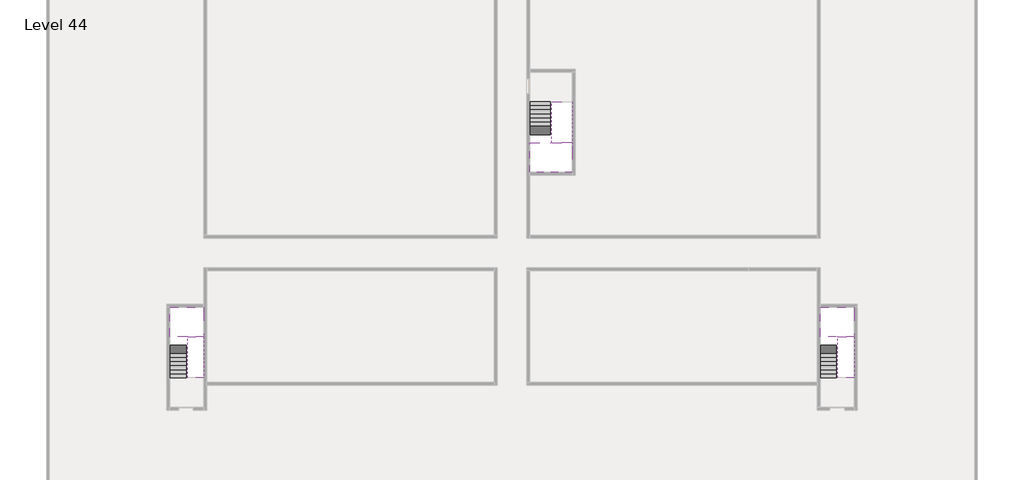
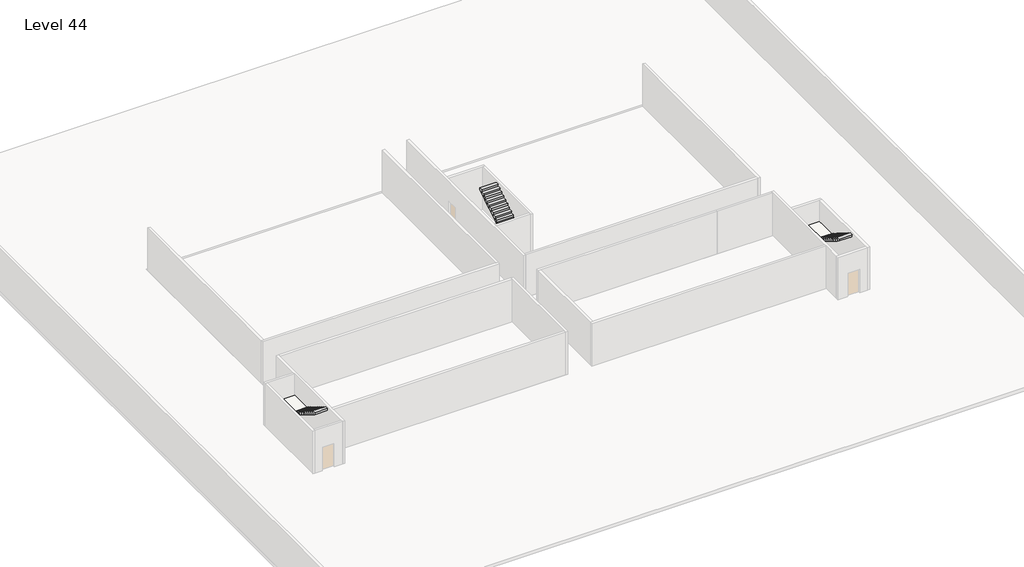
# One storey, part 2 of 2: 6 stair flights, 3 slabs.
"""IFC4 building model written with IfcOpenShell, lengths in millimetres."""

from ifc_helpers import new_model, si_unit, origin, place, context, project, spatial, faceted_brep, element, save

model = new_model("IFC4")

# Units and contexts
model_context = context("Model", 3, world=origin())
ifc_project = project(units=[si_unit("LENGTHUNIT", "METRE", prefix="MILLI")], contexts=[model_context])

# Site, building, storey
site = spatial("IfcSite", under=ifc_project)
building = spatial("IfcBuilding", under=site)
storey = spatial("IfcBuildingStorey", under=building, Name="Level 44", Elevation=163400.0)

# Slabs
placement = place(None, origin())
element("IfcSlab", 1, at=placement, inside=storey, context=model_context, shape_type="Brep", body=[
    faceted_brep([(26790.1058784, -34218.09644, 165300.0), (25390.1058784, -34218.09644, 165300.0), (25390.1058784, -34297.4828763, 165300.0), (25390.1058784, -36218.09644, 165300.0), (28290.1058784, -36218.09644, 165300.0), (28290.1058784, -34418.7100038, 165300.0), (28290.1058784, -34218.09644, 165300.0), (26890.1058784, -34218.09644, 165300.0), (26790.1058784, -34218.09644, 165000.0), (26790.1058784, -34218.09644, 164951.0278478), (25390.1058784, -34218.09644, 164951.0278478), (25390.1058784, -34218.09644, 165127.2727273), (25390.1058784, -34297.4828763, 165000.0), (25390.1058784, -36218.09644, 165000.0), (28290.1058784, -36218.09644, 165000.0), (28290.1058784, -34418.7100038, 165000.0), (28290.1058784, -34218.09644, 165123.7551205), (26890.1058784, -34218.09644, 165123.7551205), (26890.1058784, -34218.09644, 165000.0), (26890.1058784, -34418.7100038, 165000.0), (26790.1058784, -34297.4828763, 165000.0)], [[[0, 1, 2, 3, 4, 5, 6, 7]], [[1, 0, 8, 9, 10, 11]], [[1, 11, 10, 12, 13, 3, 2]], [[4, 3, 13, 14]], [[4, 14, 15, 16, 6, 5]], [[7, 6, 16, 17]], [[0, 7, 17, 18, 8]], [[18, 19, 15, 14, 13, 12, 20, 8]], [[19, 18, 17]], [[20, 12, 10, 9]], [[8, 20, 9]], [[15, 19, 17, 16]]]),
])
element("IfcSlab", 2, at=placement, inside=storey, context=model_context, shape_type="Brep", body=[
    faceted_brep([(45190.1058784, -47418.09644, 165300.0), (46290.1058784, -47418.09644, 165300.0), (46390.1058784, -47418.09644, 165300.0), (47490.1058784, -47418.09644, 165300.0), (47490.1058784, -47217.4828763, 165300.0), (47490.1058784, -45418.09644, 165300.0), (45190.1058784, -45418.09644, 165300.0), (45190.1058784, -47338.7100038, 165300.0), (45190.1058784, -47418.09644, 165127.2727273), (45190.1058784, -47418.09644, 164951.0278478), (46290.1058784, -47418.09644, 164951.0278478), (46290.1058784, -47418.09644, 165000.0), (46390.1058784, -47418.09644, 165000.0), (46390.1058784, -47418.09644, 165123.7551205), (47490.1058784, -47418.09644, 165123.7551205), (47490.1058784, -47217.4828763, 165000.0), (47490.1058784, -45418.09644, 165000.0), (45190.1058784, -45418.09644, 165000.0), (45190.1058784, -47338.7100038, 165000.0), (46390.1058784, -47217.4828763, 165000.0), (46290.1058784, -47338.7100038, 165000.0)], [[[0, 1, 2, 3, 4, 5, 6, 7]], [[1, 0, 8, 9, 10, 11]], [[2, 1, 11, 12, 13]], [[3, 2, 13, 14]], [[3, 14, 15, 16, 5, 4]], [[6, 5, 16, 17]], [[9, 8, 0, 7, 6, 17, 18]], [[19, 12, 11, 20, 18, 17, 16, 15]], [[12, 19, 13]], [[18, 20, 10, 9]], [[20, 11, 10]], [[19, 15, 14, 13]]]),
])
element("IfcSlab", 3, at=placement, inside=storey, context=model_context, shape_type="Brep", body=[
    faceted_brep([(890.1058784, -47418.09644, 165300.0), (1990.1058784, -47418.09644, 165300.0), (2090.1058784, -47418.09644, 165300.0), (3190.1058784, -47418.09644, 165300.0), (3190.1058784, -47217.4828763, 165300.0), (3190.1058784, -45418.09644, 165300.0), (890.1058784, -45418.09644, 165300.0), (890.1058784, -47338.7100038, 165300.0), (890.1058784, -47418.09644, 165127.2727273), (890.1058784, -47418.09644, 164951.0278478), (1990.1058784, -47418.09644, 164951.0278478), (1990.1058784, -47418.09644, 165000.0), (2090.1058784, -47418.09644, 165000.0), (2090.1058784, -47418.09644, 165123.7551205), (3190.1058784, -47418.09644, 165123.7551205), (3190.1058784, -47217.4828763, 165000.0), (3190.1058784, -45418.09644, 165000.0), (890.1058784, -45418.09644, 165000.0), (890.1058784, -47338.7100038, 165000.0), (2090.1058784, -47217.4828763, 165000.0), (1990.1058784, -47338.7100038, 165000.0)], [[[0, 1, 2, 3, 4, 5, 6, 7]], [[1, 0, 8, 9, 10, 11]], [[2, 1, 11, 12, 13]], [[3, 2, 13, 14]], [[3, 14, 15, 16, 5, 4]], [[6, 5, 16, 17]], [[9, 8, 0, 7, 6, 17, 18]], [[19, 12, 11, 20, 18, 17, 16, 15]], [[12, 19, 13]], [[18, 20, 10, 9]], [[20, 11, 10]], [[19, 15, 14, 13]]]),
])

# Stair flights
element("IfcStairFlight", 4, at=placement, inside=storey, context=model_context, shape_type="Brep", body=[
    faceted_brep([(26790.1058784, -31698.09644, 163572.7272727), (26790.1058784, -31418.09644, 163572.7272727), (25390.1058784, -31418.09644, 163572.7272727), (25390.1058784, -31698.09644, 163572.7272727), (26790.1058784, -31698.09644, 163400.0), (26790.1058784, -31418.09644, 163400.0), (25390.1058784, -31418.09644, 163400.0), (25390.1058784, -31698.09644, 163400.0), (26790.1058784, -31978.09644, 163745.4545455), (26790.1058784, -31698.09644, 163745.4545455), (25390.1058784, -31698.09644, 163745.4545455), (25390.1058784, -31978.09644, 163745.4545455), (26790.1058784, -31978.09644, 163569.209666), (26790.1058784, -31703.7986657, 163400.0), (25390.1058784, -31703.7986657, 163400.0), (25390.1058784, -31978.09644, 163569.209666), (26790.1058784, -32258.09644, 163918.1818182), (26790.1058784, -31978.09644, 163918.1818182), (25390.1058784, -31978.09644, 163918.1818182), (25390.1058784, -32258.09644, 163918.1818182), (26790.1058784, -32258.09644, 163741.9369387), (25390.1058784, -32258.09644, 163741.9369387), (26790.1058784, -32538.09644, 164090.9090909), (26790.1058784, -32258.09644, 164090.9090909), (25390.1058784, -32258.09644, 164090.9090909), (25390.1058784, -32538.09644, 164090.9090909), (26790.1058784, -32538.09644, 163914.6642114), (25390.1058784, -32538.09644, 163914.6642114), (26790.1058784, -32818.09644, 164263.6363636), (26790.1058784, -32538.09644, 164263.6363636), (25390.1058784, -32538.09644, 164263.6363636), (25390.1058784, -32818.09644, 164263.6363636), (26790.1058784, -32818.09644, 164087.3914841), (25390.1058784, -32818.09644, 164087.3914841), (26790.1058784, -33098.09644, 164436.3636364), (26790.1058784, -32818.09644, 164436.3636364), (25390.1058784, -32818.09644, 164436.3636364), (25390.1058784, -33098.09644, 164436.3636364), (26790.1058784, -33098.09644, 164260.1187569), (25390.1058784, -33098.09644, 164260.1187569), (26790.1058784, -33378.09644, 164609.0909091), (26790.1058784, -33098.09644, 164609.0909091), (25390.1058784, -33098.09644, 164609.0909091), (25390.1058784, -33378.09644, 164609.0909091), (26790.1058784, -33378.09644, 164432.8460296), (25390.1058784, -33378.09644, 164432.8460296), (26790.1058784, -33658.09644, 164781.8181818), (26790.1058784, -33378.09644, 164781.8181818), (25390.1058784, -33378.09644, 164781.8181818), (25390.1058784, -33658.09644, 164781.8181818), (26790.1058784, -33658.09644, 164605.5733023), (25390.1058784, -33658.09644, 164605.5733023), (26790.1058784, -33938.09644, 164954.5454545), (26790.1058784, -33658.09644, 164954.5454545), (25390.1058784, -33658.09644, 164954.5454545), (25390.1058784, -33938.09644, 164954.5454545), (26790.1058784, -33938.09644, 164778.3005751), (25390.1058784, -33938.09644, 164778.3005751), (26790.1058784, -34218.09644, 165127.2727273), (26790.1058784, -33938.09644, 165127.2727273), (25390.1058784, -33938.09644, 165127.2727273), (25390.1058784, -34218.09644, 165127.2727273), (26790.1058784, -34218.09644, 165000.0), (26790.1058784, -34218.09644, 164951.0278478), (25390.1058784, -34218.09644, 164951.0278478)], [[[0, 1, 2, 3]], [[1, 0, 4, 5]], [[2, 1, 5, 6]], [[3, 2, 6, 7]], [[8, 9, 10, 11]], [[4, 0, 9, 8, 12, 13]], [[0, 3, 10, 9]], [[3, 7, 14, 15, 11, 10]], [[16, 17, 18, 19]], [[17, 16, 20, 12, 8]], [[8, 11, 18, 17]], [[19, 18, 11, 15, 21]], [[22, 23, 24, 25]], [[23, 22, 26, 20, 16]], [[16, 19, 24, 23]], [[25, 24, 19, 21, 27]], [[28, 29, 30, 31]], [[29, 28, 32, 26, 22]], [[22, 25, 30, 29]], [[31, 30, 25, 27, 33]], [[34, 35, 36, 37]], [[35, 34, 38, 32, 28]], [[28, 31, 36, 35]], [[37, 36, 31, 33, 39]], [[40, 41, 42, 43]], [[41, 40, 44, 38, 34]], [[34, 37, 42, 41]], [[43, 42, 37, 39, 45]], [[46, 47, 48, 49]], [[47, 46, 50, 44, 40]], [[40, 43, 48, 47]], [[49, 48, 43, 45, 51]], [[52, 53, 54, 55]], [[53, 52, 56, 50, 46]], [[46, 49, 54, 53]], [[55, 54, 49, 51, 57]], [[58, 59, 60, 61]], [[59, 58, 62, 63, 56, 52]], [[52, 55, 60, 59]], [[61, 60, 55, 57, 64]], [[58, 61, 64, 63, 62]], [[5, 4, 13, 14, 7, 6]], [[14, 13, 12, 20, 26, 32, 38, 44, 50, 56, 63, 64, 57, 51, 45, 39, 33, 27, 21, 15]]]),
])
element("IfcStairFlight", 5, at=placement, inside=storey, context=model_context, shape_type="Brep", body=[
    faceted_brep([(26890.1058784, -33938.09644, 165472.7272727), (26890.1058784, -34218.09644, 165472.7272727), (28290.1058784, -34218.09644, 165472.7272727), (28290.1058784, -33938.09644, 165472.7272727), (26890.1058784, -33938.09644, 165296.4823932), (26890.1058784, -34218.09644, 165123.7551205), (28290.1058784, -34218.09644, 165123.7551205), (28290.1058784, -34218.09644, 165300.0), (28290.1058784, -33938.09644, 165296.4823932), (26890.1058784, -33658.09644, 165645.4545455), (26890.1058784, -33938.09644, 165645.4545455), (28290.1058784, -33938.09644, 165645.4545455), (28290.1058784, -33658.09644, 165645.4545455), (26890.1058784, -33658.09644, 165469.209666), (28290.1058784, -33658.09644, 165469.209666), (26890.1058784, -33378.09644, 165818.1818182), (26890.1058784, -33658.09644, 165818.1818182), (28290.1058784, -33658.09644, 165818.1818182), (28290.1058784, -33378.09644, 165818.1818182), (26890.1058784, -33378.09644, 165641.9369387), (28290.1058784, -33378.09644, 165641.9369387), (26890.1058784, -33098.09644, 165990.9090909), (26890.1058784, -33378.09644, 165990.9090909), (28290.1058784, -33378.09644, 165990.9090909), (28290.1058784, -33098.09644, 165990.9090909), (26890.1058784, -33098.09644, 165814.6642114), (28290.1058784, -33098.09644, 165814.6642114), (26890.1058784, -32818.09644, 166163.6363636), (26890.1058784, -33098.09644, 166163.6363636), (28290.1058784, -33098.09644, 166163.6363636), (28290.1058784, -32818.09644, 166163.6363636), (26890.1058784, -32818.09644, 165987.3914841), (28290.1058784, -32818.09644, 165987.3914841), (26890.1058784, -32538.09644, 166336.3636364), (26890.1058784, -32818.09644, 166336.3636364), (28290.1058784, -32818.09644, 166336.3636364), (28290.1058784, -32538.09644, 166336.3636364), (26890.1058784, -32538.09644, 166160.1187569), (28290.1058784, -32538.09644, 166160.1187569), (26890.1058784, -32258.09644, 166509.0909091), (26890.1058784, -32538.09644, 166509.0909091), (28290.1058784, -32538.09644, 166509.0909091), (28290.1058784, -32258.09644, 166509.0909091), (26890.1058784, -32258.09644, 166332.8460296), (28290.1058784, -32258.09644, 166332.8460296), (26890.1058784, -31978.09644, 166681.8181818), (26890.1058784, -32258.09644, 166681.8181818), (28290.1058784, -32258.09644, 166681.8181818), (28290.1058784, -31978.09644, 166681.8181818), (26890.1058784, -31978.09644, 166505.5733023), (28290.1058784, -31978.09644, 166505.5733023), (26890.1058784, -31698.09644, 166854.5454545), (26890.1058784, -31978.09644, 166854.5454545), (28290.1058784, -31978.09644, 166854.5454545), (28290.1058784, -31698.09644, 166854.5454545), (26890.1058784, -31698.09644, 166678.3005751), (28290.1058784, -31698.09644, 166678.3005751), (26890.1058784, -31418.09644, 167027.2727273), (26890.1058784, -31698.09644, 167027.2727273), (28290.1058784, -31698.09644, 167027.2727273), (28290.1058784, -31418.09644, 167027.2727273), (26890.1058784, -31418.09644, 166851.0278478), (28290.1058784, -31418.09644, 166851.0278478)], [[[0, 1, 2, 3]], [[1, 0, 4, 5]], [[2, 1, 5, 6, 7]], [[3, 2, 7, 6, 8]], [[9, 10, 11, 12]], [[10, 9, 13, 4, 0]], [[11, 10, 0, 3]], [[12, 11, 3, 8, 14]], [[15, 16, 17, 18]], [[16, 15, 19, 13, 9]], [[17, 16, 9, 12]], [[18, 17, 12, 14, 20]], [[21, 22, 23, 24]], [[22, 21, 25, 19, 15]], [[23, 22, 15, 18]], [[24, 23, 18, 20, 26]], [[27, 28, 29, 30]], [[28, 27, 31, 25, 21]], [[29, 28, 21, 24]], [[30, 29, 24, 26, 32]], [[33, 34, 35, 36]], [[34, 33, 37, 31, 27]], [[35, 34, 27, 30]], [[36, 35, 30, 32, 38]], [[39, 40, 41, 42]], [[40, 39, 43, 37, 33]], [[41, 40, 33, 36]], [[42, 41, 36, 38, 44]], [[45, 46, 47, 48]], [[46, 45, 49, 43, 39]], [[47, 46, 39, 42]], [[48, 47, 42, 44, 50]], [[51, 52, 53, 54]], [[52, 51, 55, 49, 45]], [[53, 52, 45, 48]], [[54, 53, 48, 50, 56]], [[57, 58, 59, 60]], [[58, 57, 61, 55, 51]], [[59, 58, 51, 54]], [[60, 59, 54, 56, 62]], [[57, 60, 62, 61]], [[5, 4, 13, 19, 25, 31, 37, 43, 49, 55, 61, 62, 56, 50, 44, 38, 32, 26, 20, 14, 8, 6]]]),
])
element("IfcStairFlight", 6, at=placement, inside=storey, context=model_context, shape_type="Brep", body=[
    faceted_brep([(45190.1058784, -49938.09644, 163572.7272727), (45190.1058784, -50218.09644, 163572.7272727), (46290.1058784, -50218.09644, 163572.7272727), (46290.1058784, -49938.09644, 163572.7272727), (45190.1058784, -49938.09644, 163400.0), (45190.1058784, -50218.09644, 163400.0), (46290.1058784, -50218.09644, 163400.0), (46290.1058784, -49938.09644, 163400.0), (45190.1058784, -49658.09644, 163745.4545455), (45190.1058784, -49938.09644, 163745.4545455), (46290.1058784, -49938.09644, 163745.4545455), (46290.1058784, -49658.09644, 163745.4545455), (45190.1058784, -49658.09644, 163569.209666), (45190.1058784, -49932.3942143, 163400.0), (46290.1058784, -49932.3942143, 163400.0), (46290.1058784, -49658.09644, 163569.209666), (45190.1058784, -49378.09644, 163918.1818182), (45190.1058784, -49658.09644, 163918.1818182), (46290.1058784, -49658.09644, 163918.1818182), (46290.1058784, -49378.09644, 163918.1818182), (45190.1058784, -49378.09644, 163741.9369387), (46290.1058784, -49378.09644, 163741.9369387), (45190.1058784, -49098.09644, 164090.9090909), (45190.1058784, -49378.09644, 164090.9090909), (46290.1058784, -49378.09644, 164090.9090909), (46290.1058784, -49098.09644, 164090.9090909), (45190.1058784, -49098.09644, 163914.6642114), (46290.1058784, -49098.09644, 163914.6642114), (45190.1058784, -48818.09644, 164263.6363636), (45190.1058784, -49098.09644, 164263.6363636), (46290.1058784, -49098.09644, 164263.6363636), (46290.1058784, -48818.09644, 164263.6363636), (45190.1058784, -48818.09644, 164087.3914841), (46290.1058784, -48818.09644, 164087.3914841), (45190.1058784, -48538.09644, 164436.3636364), (45190.1058784, -48818.09644, 164436.3636364), (46290.1058784, -48818.09644, 164436.3636364), (46290.1058784, -48538.09644, 164436.3636364), (45190.1058784, -48538.09644, 164260.1187569), (46290.1058784, -48538.09644, 164260.1187569), (45190.1058784, -48258.09644, 164609.0909091), (45190.1058784, -48538.09644, 164609.0909091), (46290.1058784, -48538.09644, 164609.0909091), (46290.1058784, -48258.09644, 164609.0909091), (45190.1058784, -48258.09644, 164432.8460296), (46290.1058784, -48258.09644, 164432.8460296), (45190.1058784, -47978.09644, 164781.8181818), (45190.1058784, -48258.09644, 164781.8181818), (46290.1058784, -48258.09644, 164781.8181818), (46290.1058784, -47978.09644, 164781.8181818), (45190.1058784, -47978.09644, 164605.5733023), (46290.1058784, -47978.09644, 164605.5733023), (45190.1058784, -47698.09644, 164954.5454545), (45190.1058784, -47978.09644, 164954.5454545), (46290.1058784, -47978.09644, 164954.5454545), (46290.1058784, -47698.09644, 164954.5454545), (45190.1058784, -47698.09644, 164778.3005751), (46290.1058784, -47698.09644, 164778.3005751), (45190.1058784, -47418.09644, 165127.2727273), (45190.1058784, -47698.09644, 165127.2727273), (46290.1058784, -47698.09644, 165127.2727273), (46290.1058784, -47418.09644, 165127.2727273), (45190.1058784, -47418.09644, 164951.0278478), (46290.1058784, -47418.09644, 164951.0278478), (46290.1058784, -47418.09644, 165000.0)], [[[0, 1, 2, 3]], [[1, 0, 4, 5]], [[2, 1, 5, 6]], [[3, 2, 6, 7]], [[8, 9, 10, 11]], [[4, 0, 9, 8, 12, 13]], [[0, 3, 10, 9]], [[3, 7, 14, 15, 11, 10]], [[16, 17, 18, 19]], [[17, 16, 20, 12, 8]], [[8, 11, 18, 17]], [[19, 18, 11, 15, 21]], [[22, 23, 24, 25]], [[23, 22, 26, 20, 16]], [[16, 19, 24, 23]], [[25, 24, 19, 21, 27]], [[28, 29, 30, 31]], [[29, 28, 32, 26, 22]], [[22, 25, 30, 29]], [[31, 30, 25, 27, 33]], [[34, 35, 36, 37]], [[35, 34, 38, 32, 28]], [[28, 31, 36, 35]], [[37, 36, 31, 33, 39]], [[40, 41, 42, 43]], [[41, 40, 44, 38, 34]], [[34, 37, 42, 41]], [[43, 42, 37, 39, 45]], [[46, 47, 48, 49]], [[47, 46, 50, 44, 40]], [[40, 43, 48, 47]], [[49, 48, 43, 45, 51]], [[52, 53, 54, 55]], [[53, 52, 56, 50, 46]], [[46, 49, 54, 53]], [[55, 54, 49, 51, 57]], [[58, 59, 60, 61]], [[59, 58, 62, 56, 52]], [[52, 55, 60, 59]], [[61, 60, 55, 57, 63, 64]], [[58, 61, 64, 63, 62]], [[5, 4, 13, 14, 7, 6]], [[14, 13, 12, 20, 26, 32, 38, 44, 50, 56, 62, 63, 57, 51, 45, 39, 33, 27, 21, 15]]]),
])
element("IfcStairFlight", 7, at=placement, inside=storey, context=model_context, shape_type="Brep", body=[
    faceted_brep([(47490.1058784, -47698.09644, 165472.7272727), (47490.1058784, -47418.09644, 165472.7272727), (46390.1058784, -47418.09644, 165472.7272727), (46390.1058784, -47698.09644, 165472.7272727), (47490.1058784, -47698.09644, 165296.4823932), (47490.1058784, -47418.09644, 165123.7551205), (47490.1058784, -47418.09644, 165300.0), (46390.1058784, -47418.09644, 165123.7551205), (46390.1058784, -47698.09644, 165296.4823932), (47490.1058784, -47978.09644, 165645.4545455), (47490.1058784, -47698.09644, 165645.4545455), (46390.1058784, -47698.09644, 165645.4545455), (46390.1058784, -47978.09644, 165645.4545455), (47490.1058784, -47978.09644, 165469.209666), (46390.1058784, -47978.09644, 165469.209666), (47490.1058784, -48258.09644, 165818.1818182), (47490.1058784, -47978.09644, 165818.1818182), (46390.1058784, -47978.09644, 165818.1818182), (46390.1058784, -48258.09644, 165818.1818182), (47490.1058784, -48258.09644, 165641.9369387), (46390.1058784, -48258.09644, 165641.9369387), (47490.1058784, -48538.09644, 165990.9090909), (47490.1058784, -48258.09644, 165990.9090909), (46390.1058784, -48258.09644, 165990.9090909), (46390.1058784, -48538.09644, 165990.9090909), (47490.1058784, -48538.09644, 165814.6642114), (46390.1058784, -48538.09644, 165814.6642114), (47490.1058784, -48818.09644, 166163.6363636), (47490.1058784, -48538.09644, 166163.6363636), (46390.1058784, -48538.09644, 166163.6363636), (46390.1058784, -48818.09644, 166163.6363636), (47490.1058784, -48818.09644, 165987.3914841), (46390.1058784, -48818.09644, 165987.3914841), (47490.1058784, -49098.09644, 166336.3636364), (47490.1058784, -48818.09644, 166336.3636364), (46390.1058784, -48818.09644, 166336.3636364), (46390.1058784, -49098.09644, 166336.3636364), (47490.1058784, -49098.09644, 166160.1187569), (46390.1058784, -49098.09644, 166160.1187569), (47490.1058784, -49378.09644, 166509.0909091), (47490.1058784, -49098.09644, 166509.0909091), (46390.1058784, -49098.09644, 166509.0909091), (46390.1058784, -49378.09644, 166509.0909091), (47490.1058784, -49378.09644, 166332.8460296), (46390.1058784, -49378.09644, 166332.8460296), (47490.1058784, -49658.09644, 166681.8181818), (47490.1058784, -49378.09644, 166681.8181818), (46390.1058784, -49378.09644, 166681.8181818), (46390.1058784, -49658.09644, 166681.8181818), (47490.1058784, -49658.09644, 166505.5733023), (46390.1058784, -49658.09644, 166505.5733023), (47490.1058784, -49938.09644, 166854.5454545), (47490.1058784, -49658.09644, 166854.5454545), (46390.1058784, -49658.09644, 166854.5454545), (46390.1058784, -49938.09644, 166854.5454545), (47490.1058784, -49938.09644, 166678.3005751), (46390.1058784, -49938.09644, 166678.3005751), (47490.1058784, -50218.09644, 167027.2727273), (47490.1058784, -49938.09644, 167027.2727273), (46390.1058784, -49938.09644, 167027.2727273), (46390.1058784, -50218.09644, 167027.2727273), (47490.1058784, -50218.09644, 166851.0278478), (46390.1058784, -50218.09644, 166851.0278478)], [[[0, 1, 2, 3]], [[1, 0, 4, 5, 6]], [[2, 1, 6, 5, 7]], [[3, 2, 7, 8]], [[9, 10, 11, 12]], [[10, 9, 13, 4, 0]], [[11, 10, 0, 3]], [[12, 11, 3, 8, 14]], [[15, 16, 17, 18]], [[16, 15, 19, 13, 9]], [[17, 16, 9, 12]], [[18, 17, 12, 14, 20]], [[21, 22, 23, 24]], [[22, 21, 25, 19, 15]], [[23, 22, 15, 18]], [[24, 23, 18, 20, 26]], [[27, 28, 29, 30]], [[28, 27, 31, 25, 21]], [[29, 28, 21, 24]], [[30, 29, 24, 26, 32]], [[33, 34, 35, 36]], [[34, 33, 37, 31, 27]], [[35, 34, 27, 30]], [[36, 35, 30, 32, 38]], [[39, 40, 41, 42]], [[40, 39, 43, 37, 33]], [[41, 40, 33, 36]], [[42, 41, 36, 38, 44]], [[45, 46, 47, 48]], [[46, 45, 49, 43, 39]], [[47, 46, 39, 42]], [[48, 47, 42, 44, 50]], [[51, 52, 53, 54]], [[52, 51, 55, 49, 45]], [[53, 52, 45, 48]], [[54, 53, 48, 50, 56]], [[57, 58, 59, 60]], [[58, 57, 61, 55, 51]], [[59, 58, 51, 54]], [[60, 59, 54, 56, 62]], [[57, 60, 62, 61]], [[5, 4, 13, 19, 25, 31, 37, 43, 49, 55, 61, 62, 56, 50, 44, 38, 32, 26, 20, 14, 8, 7]]]),
])
element("IfcStairFlight", 8, at=placement, inside=storey, context=model_context, shape_type="Brep", body=[
    faceted_brep([(890.1058784, -49938.09644, 163572.7272727), (890.1058784, -50218.09644, 163572.7272727), (1990.1058784, -50218.09644, 163572.7272727), (1990.1058784, -49938.09644, 163572.7272727), (890.1058784, -49938.09644, 163400.0), (890.1058784, -50218.09644, 163400.0), (1990.1058784, -50218.09644, 163400.0), (1990.1058784, -49938.09644, 163400.0), (890.1058784, -49658.09644, 163745.4545455), (890.1058784, -49938.09644, 163745.4545455), (1990.1058784, -49938.09644, 163745.4545455), (1990.1058784, -49658.09644, 163745.4545455), (890.1058784, -49658.09644, 163569.209666), (890.1058784, -49932.3942143, 163400.0), (1990.1058784, -49932.3942143, 163400.0), (1990.1058784, -49658.09644, 163569.209666), (890.1058784, -49378.09644, 163918.1818182), (890.1058784, -49658.09644, 163918.1818182), (1990.1058784, -49658.09644, 163918.1818182), (1990.1058784, -49378.09644, 163918.1818182), (890.1058784, -49378.09644, 163741.9369387), (1990.1058784, -49378.09644, 163741.9369387), (890.1058784, -49098.09644, 164090.9090909), (890.1058784, -49378.09644, 164090.9090909), (1990.1058784, -49378.09644, 164090.9090909), (1990.1058784, -49098.09644, 164090.9090909), (890.1058784, -49098.09644, 163914.6642114), (1990.1058784, -49098.09644, 163914.6642114), (890.1058784, -48818.09644, 164263.6363636), (890.1058784, -49098.09644, 164263.6363636), (1990.1058784, -49098.09644, 164263.6363636), (1990.1058784, -48818.09644, 164263.6363636), (890.1058784, -48818.09644, 164087.3914841), (1990.1058784, -48818.09644, 164087.3914841), (890.1058784, -48538.09644, 164436.3636364), (890.1058784, -48818.09644, 164436.3636364), (1990.1058784, -48818.09644, 164436.3636364), (1990.1058784, -48538.09644, 164436.3636364), (890.1058784, -48538.09644, 164260.1187569), (1990.1058784, -48538.09644, 164260.1187569), (890.1058784, -48258.09644, 164609.0909091), (890.1058784, -48538.09644, 164609.0909091), (1990.1058784, -48538.09644, 164609.0909091), (1990.1058784, -48258.09644, 164609.0909091), (890.1058784, -48258.09644, 164432.8460296), (1990.1058784, -48258.09644, 164432.8460296), (890.1058784, -47978.09644, 164781.8181818), (890.1058784, -48258.09644, 164781.8181818), (1990.1058784, -48258.09644, 164781.8181818), (1990.1058784, -47978.09644, 164781.8181818), (890.1058784, -47978.09644, 164605.5733023), (1990.1058784, -47978.09644, 164605.5733023), (890.1058784, -47698.09644, 164954.5454545), (890.1058784, -47978.09644, 164954.5454545), (1990.1058784, -47978.09644, 164954.5454545), (1990.1058784, -47698.09644, 164954.5454545), (890.1058784, -47698.09644, 164778.3005751), (1990.1058784, -47698.09644, 164778.3005751), (890.1058784, -47418.09644, 165127.2727273), (890.1058784, -47698.09644, 165127.2727273), (1990.1058784, -47698.09644, 165127.2727273), (1990.1058784, -47418.09644, 165127.2727273), (890.1058784, -47418.09644, 164951.0278478), (1990.1058784, -47418.09644, 164951.0278478), (1990.1058784, -47418.09644, 165000.0)], [[[0, 1, 2, 3]], [[1, 0, 4, 5]], [[2, 1, 5, 6]], [[3, 2, 6, 7]], [[8, 9, 10, 11]], [[4, 0, 9, 8, 12, 13]], [[0, 3, 10, 9]], [[3, 7, 14, 15, 11, 10]], [[16, 17, 18, 19]], [[17, 16, 20, 12, 8]], [[8, 11, 18, 17]], [[19, 18, 11, 15, 21]], [[22, 23, 24, 25]], [[23, 22, 26, 20, 16]], [[16, 19, 24, 23]], [[25, 24, 19, 21, 27]], [[28, 29, 30, 31]], [[29, 28, 32, 26, 22]], [[22, 25, 30, 29]], [[31, 30, 25, 27, 33]], [[34, 35, 36, 37]], [[35, 34, 38, 32, 28]], [[28, 31, 36, 35]], [[37, 36, 31, 33, 39]], [[40, 41, 42, 43]], [[41, 40, 44, 38, 34]], [[34, 37, 42, 41]], [[43, 42, 37, 39, 45]], [[46, 47, 48, 49]], [[47, 46, 50, 44, 40]], [[40, 43, 48, 47]], [[49, 48, 43, 45, 51]], [[52, 53, 54, 55]], [[53, 52, 56, 50, 46]], [[46, 49, 54, 53]], [[55, 54, 49, 51, 57]], [[58, 59, 60, 61]], [[59, 58, 62, 56, 52]], [[52, 55, 60, 59]], [[61, 60, 55, 57, 63, 64]], [[58, 61, 64, 63, 62]], [[5, 4, 13, 14, 7, 6]], [[14, 13, 12, 20, 26, 32, 38, 44, 50, 56, 62, 63, 57, 51, 45, 39, 33, 27, 21, 15]]]),
])
element("IfcStairFlight", 9, at=placement, inside=storey, context=model_context, shape_type="Brep", body=[
    faceted_brep([(3190.1058784, -47698.09644, 165472.7272727), (3190.1058784, -47418.09644, 165472.7272727), (2090.1058784, -47418.09644, 165472.7272727), (2090.1058784, -47698.09644, 165472.7272727), (3190.1058784, -47698.09644, 165296.4823932), (3190.1058784, -47418.09644, 165123.7551205), (3190.1058784, -47418.09644, 165300.0), (2090.1058784, -47418.09644, 165123.7551205), (2090.1058784, -47698.09644, 165296.4823932), (3190.1058784, -47978.09644, 165645.4545455), (3190.1058784, -47698.09644, 165645.4545455), (2090.1058784, -47698.09644, 165645.4545455), (2090.1058784, -47978.09644, 165645.4545455), (3190.1058784, -47978.09644, 165469.209666), (2090.1058784, -47978.09644, 165469.209666), (3190.1058784, -48258.09644, 165818.1818182), (3190.1058784, -47978.09644, 165818.1818182), (2090.1058784, -47978.09644, 165818.1818182), (2090.1058784, -48258.09644, 165818.1818182), (3190.1058784, -48258.09644, 165641.9369387), (2090.1058784, -48258.09644, 165641.9369387), (3190.1058784, -48538.09644, 165990.9090909), (3190.1058784, -48258.09644, 165990.9090909), (2090.1058784, -48258.09644, 165990.9090909), (2090.1058784, -48538.09644, 165990.9090909), (3190.1058784, -48538.09644, 165814.6642114), (2090.1058784, -48538.09644, 165814.6642114), (3190.1058784, -48818.09644, 166163.6363636), (3190.1058784, -48538.09644, 166163.6363636), (2090.1058784, -48538.09644, 166163.6363636), (2090.1058784, -48818.09644, 166163.6363636), (3190.1058784, -48818.09644, 165987.3914841), (2090.1058784, -48818.09644, 165987.3914841), (3190.1058784, -49098.09644, 166336.3636364), (3190.1058784, -48818.09644, 166336.3636364), (2090.1058784, -48818.09644, 166336.3636364), (2090.1058784, -49098.09644, 166336.3636364), (3190.1058784, -49098.09644, 166160.1187569), (2090.1058784, -49098.09644, 166160.1187569), (3190.1058784, -49378.09644, 166509.0909091), (3190.1058784, -49098.09644, 166509.0909091), (2090.1058784, -49098.09644, 166509.0909091), (2090.1058784, -49378.09644, 166509.0909091), (3190.1058784, -49378.09644, 166332.8460296), (2090.1058784, -49378.09644, 166332.8460296), (3190.1058784, -49658.09644, 166681.8181818), (3190.1058784, -49378.09644, 166681.8181818), (2090.1058784, -49378.09644, 166681.8181818), (2090.1058784, -49658.09644, 166681.8181818), (3190.1058784, -49658.09644, 166505.5733023), (2090.1058784, -49658.09644, 166505.5733023), (3190.1058784, -49938.09644, 166854.5454545), (3190.1058784, -49658.09644, 166854.5454545), (2090.1058784, -49658.09644, 166854.5454545), (2090.1058784, -49938.09644, 166854.5454545), (3190.1058784, -49938.09644, 166678.3005751), (2090.1058784, -49938.09644, 166678.3005751), (3190.1058784, -50218.09644, 167027.2727273), (3190.1058784, -49938.09644, 167027.2727273), (2090.1058784, -49938.09644, 167027.2727273), (2090.1058784, -50218.09644, 167027.2727273), (3190.1058784, -50218.09644, 166851.0278478), (2090.1058784, -50218.09644, 166851.0278478)], [[[0, 1, 2, 3]], [[1, 0, 4, 5, 6]], [[2, 1, 6, 5, 7]], [[3, 2, 7, 8]], [[9, 10, 11, 12]], [[10, 9, 13, 4, 0]], [[11, 10, 0, 3]], [[12, 11, 3, 8, 14]], [[15, 16, 17, 18]], [[16, 15, 19, 13, 9]], [[17, 16, 9, 12]], [[18, 17, 12, 14, 20]], [[21, 22, 23, 24]], [[22, 21, 25, 19, 15]], [[23, 22, 15, 18]], [[24, 23, 18, 20, 26]], [[27, 28, 29, 30]], [[28, 27, 31, 25, 21]], [[29, 28, 21, 24]], [[30, 29, 24, 26, 32]], [[33, 34, 35, 36]], [[34, 33, 37, 31, 27]], [[35, 34, 27, 30]], [[36, 35, 30, 32, 38]], [[39, 40, 41, 42]], [[40, 39, 43, 37, 33]], [[41, 40, 33, 36]], [[42, 41, 36, 38, 44]], [[45, 46, 47, 48]], [[46, 45, 49, 43, 39]], [[47, 46, 39, 42]], [[48, 47, 42, 44, 50]], [[51, 52, 53, 54]], [[52, 51, 55, 49, 45]], [[53, 52, 45, 48]], [[54, 53, 48, 50, 56]], [[57, 58, 59, 60]], [[58, 57, 61, 55, 51]], [[59, 58, 51, 54]], [[60, 59, 54, 56, 62]], [[57, 60, 62, 61]], [[5, 4, 13, 19, 25, 31, 37, 43, 49, 55, 61, 62, 56, 50, 44, 38, 32, 26, 20, 14, 8, 7]]]),
])

save(model, "model.ifc")
